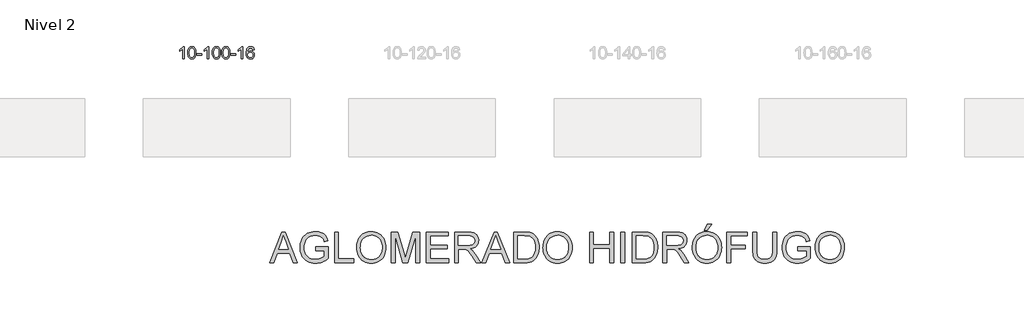
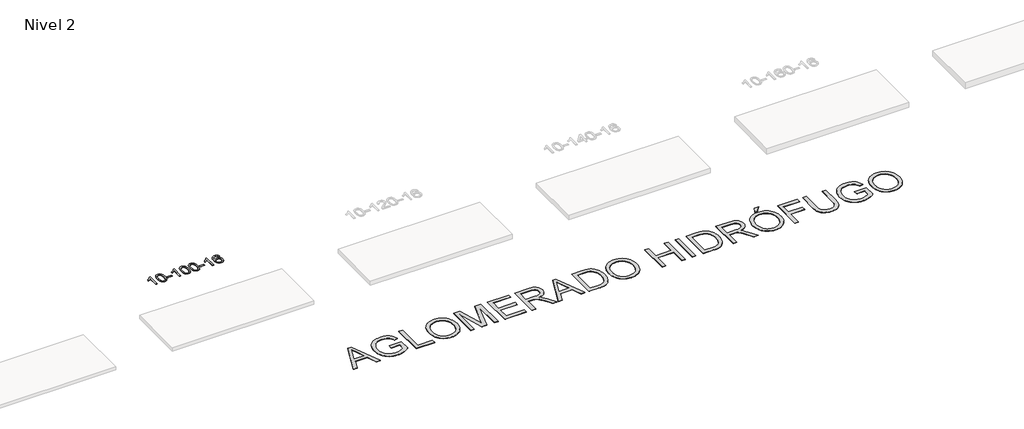
# One storey, part 18 of 51: 2 proxies.
"""IFC4 building model written with IfcOpenShell, lengths in millimetres."""

import ifcopenshell
import ifcopenshell.guid

model = None  # the IFC model being written
_history = None  # IfcOwnerHistory: only IFC2X3 demands one
_inside = {}  # id of a spatial element -> (the spatial element, [elements in it])
_under = {}  # id of a project, library or spatial element -> (it, [spatial elements below it])
_declared = {}  # id of a project -> (the project, [libraries it declares])
_typed = {}  # id of a type object -> (the type object, [elements of that type])
_made_of = {}  # id of a material, layer set ... -> (it, [elements and type objects made of it])


def new_model(schema):
    """Start an empty IFC model of exactly this schema.

    Asked for "IFC4X3", IfcOpenShell would pick the latest addendum, in which some entities
    have other attributes; the version numbers below select the first issue.
    IFC2X3 requires an IfcOwnerHistory on every rooted entity: one is made here for all.
    """
    global model, _history
    if schema == "IFC4X3":
        model = ifcopenshell.file(schema_version=(4, 3, 0, 0))
    else:
        model = ifcopenshell.file(schema=schema)
    _inside.clear()
    _under.clear()
    _declared.clear()
    _typed.clear()
    _made_of.clear()
    _history = None
    if model.schema == "IFC2X3":
        org = make("IfcOrganization", Name="unknown")
        user = make(
            "IfcPersonAndOrganization",
            ThePerson=make("IfcPerson", FamilyName="unknown"),
            TheOrganization=org,
        )
        app = make(
            "IfcApplication",
            ApplicationDeveloper=org,
            Version="unknown",
            ApplicationFullName="unknown",
            ApplicationIdentifier="unknown",
        )
        _history = make(
            "IfcOwnerHistory",
            OwningUser=user,
            OwningApplication=app,
            ChangeAction="ADDED",
            CreationDate=0,
        )
    return model


def make(cls, **values):
    """One entity of the class cls with the attributes given. An attribute that is None is left unset."""
    return model.create_entity(
        cls, **{name: value for name, value in values.items() if value is not None}
    )


def rooted(cls, **values):
    """An entity with a GlobalId (a new one), such as an element, a storey or a relation."""
    return make(cls, GlobalId=ifcopenshell.guid.new(), OwnerHistory=_history, **values)


def si_unit(unit_type, name, prefix=None):
    """IfcSIUnit, for example si_unit("LENGTHUNIT", "METRE", prefix="MILLI")."""
    return make("IfcSIUnit", UnitType=unit_type, Prefix=prefix, Name=name)


def assignment(units):
    """IfcUnitAssignment: the units of a project."""
    return None if units is None else make("IfcUnitAssignment", Units=units)


def point(xyz):
    """IfcCartesianPoint."""
    return None if xyz is None else make("IfcCartesianPoint", Coordinates=xyz)


def direction(xyz):
    """IfcDirection."""
    return None if xyz is None else make("IfcDirection", DirectionRatios=xyz)


def frame(location, z_axis=None, x_axis=None):
    """IfcAxis2Placement3D, a coordinate frame: its origin and axes. An axis left out is left unset."""
    return make(
        "IfcAxis2Placement3D",
        Location=point(location),
        Axis=direction(z_axis),
        RefDirection=direction(x_axis),
    )


def origin():
    """The frame at (0, 0, 0) with its axes left unset."""
    return frame((0.0, 0.0, 0.0))


def place(relative_to, where):
    """IfcLocalPlacement: puts the frame where relative to a parent placement (None: the world)."""
    return make(
        "IfcLocalPlacement", PlacementRelTo=relative_to, RelativePlacement=where
    )


def context(
    kind, dimensions, precision=None, world=None, true_north=None, identifier=None
):
    """IfcGeometricRepresentationContext, for example the 3D "Model" context."""
    return make(
        "IfcGeometricRepresentationContext",
        ContextIdentifier=identifier,
        ContextType=kind,
        CoordinateSpaceDimension=dimensions,
        Precision=precision,
        WorldCoordinateSystem=world,
        TrueNorth=true_north,
    )


def project(units=None, contexts=None):
    """IfcProject with its units and contexts."""
    return rooted(
        "IfcProject",
        Name="project",
        RepresentationContexts=contexts,
        UnitsInContext=assignment(units),
    )


def spatial(cls, under=None, at=None, **own):
    """A site, building, storey or space (cls), placed at a placement, below another one or the project."""
    s = rooted(cls, ObjectPlacement=at, **own)
    if under is not None:
        _under.setdefault(under.id(), (under, []))[1].append(s)
    return s


def polyline(points):
    """IfcPolyline through the points."""
    return make("IfcPolyline", Points=[point(p) for p in points])


def outline(outer, holes=None, kind="AREA"):
    """IfcArbitraryClosedProfileDef: a profile drawn as a closed curve; with holes, ...WithVoids."""
    if holes is None:
        return make("IfcArbitraryClosedProfileDef", ProfileType=kind, OuterCurve=outer)
    return make(
        "IfcArbitraryProfileDefWithVoids",
        ProfileType=kind,
        OuterCurve=outer,
        InnerCurves=holes,
    )


def extrude(swept, where, along, depth):
    """IfcExtrudedAreaSolid: the profile swept, set in the frame where, extruded along a direction by depth."""
    return make(
        "IfcExtrudedAreaSolid",
        SweptArea=swept,
        Position=where,
        ExtrudedDirection=direction(along),
        Depth=depth,
    )


def shape(context_of_items, identifier, shape_type, items):
    """IfcShapeRepresentation: the items that make up one representation, for example the "Body"."""
    return make(
        "IfcShapeRepresentation",
        ContextOfItems=context_of_items,
        RepresentationIdentifier=identifier,
        RepresentationType=shape_type,
        Items=items,
    )


def made_of(thing, what):
    """Note that an element or type object is made of a material, layer set ...; save() writes the relation."""
    if what is not None:
        _made_of.setdefault(what.id(), (what, []))[1].append(thing)
    return thing


def element(
    cls,
    number,
    at=None,
    inside=None,
    cuts=None,
    type_object=None,
    material=None,
    context=None,
    identifier="Body",
    shape_type=None,
    held_by="IfcProductDefinitionShape",
    body=None,
    shapes=None,
    **own,
):
    """One element of the class cls, such as IfcWall. Its Tag is "e" and its number.

    at: its placement. inside: the storey or other place that contains it. cuts: it is an
    opening in that element (IfcRelVoidsElement). A single representation is given by context,
    identifier, shape_type and body (its items); several are given by shapes. held_by: the class
    of the entity that holds the representations. save() writes the other relations.
    """
    e = rooted(cls, Tag="e%d" % number, ObjectPlacement=at, **own)
    if body is not None:
        shapes = [shape(context, identifier, shape_type, body)]
    if shapes is not None:
        e.Representation = make(held_by, Representations=shapes)
    if inside is not None:
        _inside.setdefault(inside.id(), (inside, []))[1].append(e)
    if cuts is not None:
        rooted(
            "IfcRelVoidsElement", RelatingBuildingElement=cuts, RelatedOpeningElement=e
        )
    if type_object is not None:
        _typed.setdefault(type_object.id(), (type_object, []))[1].append(e)
    return made_of(e, material)


def aggregate(whole, parts):
    """IfcRelAggregates: a whole, such as a stair, and the parts it consists of."""
    return rooted("IfcRelAggregates", RelatingObject=whole, RelatedObjects=parts)


def save(model, path):
    """Write the relations noted so far, then the file.

    IfcRelAggregates (storeys below a building ...), IfcRelContainedInSpatialStructure (elements
    in a storey), IfcRelDefinesByType, IfcRelAssociatesMaterial and IfcRelDeclares: one each for
    every whole, place, type object, material and project.
    """
    for whole, parts in _under.values():
        aggregate(whole, parts)
    for where, things in _inside.values():
        rooted(
            "IfcRelContainedInSpatialStructure",
            RelatedElements=things,
            RelatingStructure=where,
        )
    for kind, things in _typed.values():
        rooted("IfcRelDefinesByType", RelatedObjects=things, RelatingType=kind)
    for what, things in _made_of.values():
        rooted("IfcRelAssociatesMaterial", RelatedObjects=things, RelatingMaterial=what)
    for by, libraries in _declared.values():
        rooted("IfcRelDeclares", RelatingContext=by, RelatedDefinitions=libraries)
    model.write(path)


model = new_model("IFC4")

# Units and contexts
model_context = context("Model", 3, world=origin())
ifc_project = project(units=[si_unit("LENGTHUNIT", "METRE", prefix="MILLI")], contexts=[model_context])

# Site, building, storey
site = spatial("IfcSite", under=ifc_project)
building = spatial("IfcBuilding", under=site)
storey = spatial("IfcBuildingStorey", under=building, Name="Nivel 2", Elevation=3000.0)

# Proxies
placement = place(None, origin())
element("IfcBuildingElementProxy", 1, Name="Texto de modelo 1", ObjectType="Texto de modelo 1", at=placement, inside=storey, context=model_context, shape_type="SweptSolid", body=[
    extrude(outline(polyline([(18100.6728146, -130180.5895642), (18050.4446595, -130180.5895642), (18050.4446595, -129867.4484099), (18029.4753858, -129884.4077699), (18002.8652548, -129901.3426044), (17949.9883493, -129926.7019366), (17949.9883493, -129879.2206338), (17989.437562, -129857.7608507), (18023.6137993, -129832.2298403), (18050.5550241, -129805.080149), (18068.299199, -129778.7643236), (18100.6728146, -129778.7643236), (18100.6728146, -130180.5895642)])), frame((0.0, 0.0, 3000.0), z_axis=(0.0, 0.0, 1.0), x_axis=(1.0, 0.0, 0.0)), (0.0, 0.0, 1.0), 10.0),
    extrude(outline(polyline([(18219.9646829, -129982.9143055), (18223.6557656, -129918.59627), (18234.7290136, -129867.3012571), (18253.0740624, -129828.244452), (18264.9321254, -129813.0110717), (18278.5805474, -129800.6410396), (18294.0653137, -129791.0699764), (18311.4324096, -129784.2335026), (18351.8135899, -129778.7643236), (18382.7647285, -129782.0016852), (18410.4785054, -129791.7137699), (18433.6550711, -129807.5204329), (18450.9945758, -129829.0415296), (18464.0911749, -129856.093119), (18474.5390235, -129888.4912601), (18481.3816286, -129929.6327299), (18483.662497, -129982.9143055), (18480.0082025, -130046.864459), (18469.0453191, -130098.0368445), (18450.8106348, -130137.1304379), (18438.980163, -130152.4098034), (18425.340938, -130164.8442148), (18409.8377776, -130174.4796574), (18392.4154995, -130181.3621164), (18351.8135899, -130186.8680836), (18324.1488639, -130184.4768507), (18299.6233976, -130177.3031517), (18278.2371909, -130165.3469869), (18259.9902439, -130148.6083561), (18242.479061, -130118.350062), (18229.9710731, -130080.6482889), (18222.4662804, -130035.5030367), (18219.9646829, -129982.9143055)]), holes=[polyline([(18270.1928379, -129982.8162036), (18271.6643659, -130026.4807308), (18276.0789499, -130061.8249935), (18283.4365898, -130088.8489917), (18293.7372856, -130107.5527255), (18306.1962225, -130120.2783768), (18320.0285856, -130129.3681278), (18335.2343747, -130134.8219784), (18351.8135899, -130136.6399285), (18368.3928052, -130134.815847), (18383.5985943, -130129.3436023), (18397.4309573, -130120.2231945), (18409.8898942, -130107.4546236), (18420.1905901, -130088.720233), (18427.54823, -130061.7023661), (18431.962814, -130026.401023), (18433.4343419, -129982.8162036), (18432.0118649, -129940.3074391), (18427.7444337, -129905.5855101), (18420.6320485, -129878.6504167), (18410.6747092, -129859.5021588), (18398.4242387, -129846.1541738), (18384.4324602, -129836.6198987), (18368.6993735, -129830.8993337), (18351.2249787, -129828.9924787), (18334.7316026, -129830.6724732), (18319.7833309, -129835.7124565), (18306.3801635, -129844.1124287), (18294.5221006, -129855.8723898), (18283.8780482, -129876.7190362), (18276.2751536, -129904.8252207), (18271.7134169, -129940.1909431), (18270.1928379, -129982.8162036)])]), frame((0.0, 0.0, 3000.0), z_axis=(0.0, 0.0, 1.0), x_axis=(1.0, 0.0, 0.0)), (0.0, 0.0, 1.0), 10.0),
    extrude(outline(polyline([(18515.0550939, -130061.2976959), (18515.0550939, -130011.0695409), (18672.0180785, -130011.0695409), (18672.0180785, -130061.2976959), (18515.0550939, -130061.2976959)])), frame((0.0, 0.0, 3000.0), z_axis=(0.0, 0.0, 1.0), x_axis=(1.0, 0.0, 0.0)), (0.0, 0.0, 1.0), 10.0),
    extrude(outline(polyline([(18904.3232958, -130180.5895642), (18854.0951407, -130180.5895642), (18854.0951407, -129867.4484099), (18833.125867, -129884.4077699), (18806.515736, -129901.3426044), (18753.6388305, -129926.7019366), (18753.6388305, -129879.2206338), (18793.0880432, -129857.7608507), (18827.2642805, -129832.2298403), (18854.2055053, -129805.080149), (18871.9496802, -129778.7643236), (18904.3232958, -129778.7643236), (18904.3232958, -130180.5895642)])), frame((0.0, 0.0, 3000.0), z_axis=(0.0, 0.0, 1.0), x_axis=(1.0, 0.0, 0.0)), (0.0, 0.0, 1.0), 10.0),
    extrude(outline(polyline([(19023.6151641, -129982.9143055), (19027.3062467, -129918.59627), (19038.3794948, -129867.3012571), (19056.7245436, -129828.244452), (19068.5826066, -129813.0110717), (19082.2310286, -129800.6410396), (19097.7157949, -129791.0699764), (19115.0828908, -129784.2335026), (19155.4640711, -129778.7643236), (19186.4152097, -129782.0016852), (19214.1289866, -129791.7137699), (19237.3055523, -129807.5204329), (19254.645057, -129829.0415296), (19267.7416561, -129856.093119), (19278.1895047, -129888.4912601), (19285.0321098, -129929.6327299), (19287.3129782, -129982.9143055), (19283.6586837, -130046.864459), (19272.6958003, -130098.0368445), (19254.461116, -130137.1304379), (19242.6306442, -130152.4098034), (19228.9914192, -130164.8442148), (19213.4882588, -130174.4796574), (19196.0659807, -130181.3621164), (19155.4640711, -130186.8680836), (19127.7993451, -130184.4768507), (19103.2738788, -130177.3031517), (19081.8876721, -130165.3469869), (19063.6407251, -130148.6083561), (19046.1295422, -130118.350062), (19033.6215543, -130080.6482889), (19026.1167616, -130035.5030367), (19023.6151641, -129982.9143055)]), holes=[polyline([(19073.8433191, -129982.8162036), (19075.3148471, -130026.4807308), (19079.7294311, -130061.8249935), (19087.087071, -130088.8489917), (19097.3877668, -130107.5527255), (19109.8467037, -130120.2783768), (19123.6790668, -130129.3681278), (19138.8848559, -130134.8219784), (19155.4640711, -130136.6399285), (19172.0432864, -130134.815847), (19187.2490755, -130129.3436023), (19201.0814385, -130120.2231945), (19213.5403754, -130107.4546236), (19223.8410713, -130088.720233), (19231.1987112, -130061.7023661), (19235.6132951, -130026.401023), (19237.0848231, -129982.8162036), (19235.6623461, -129940.3074391), (19231.3949149, -129905.5855101), (19224.2825297, -129878.6504167), (19214.3251904, -129859.5021588), (19202.0747199, -129846.1541738), (19188.0829414, -129836.6198987), (19172.3498547, -129830.8993337), (19154.8754599, -129828.9924787), (19138.3820838, -129830.6724732), (19123.4338121, -129835.7124565), (19110.0306447, -129844.1124287), (19098.1725818, -129855.8723898), (19087.5285294, -129876.7190362), (19079.9256348, -129904.8252207), (19075.3638981, -129940.1909431), (19073.8433191, -129982.8162036)])]), frame((0.0, 0.0, 3000.0), z_axis=(0.0, 0.0, 1.0), x_axis=(1.0, 0.0, 0.0)), (0.0, 0.0, 1.0), 10.0),
    extrude(outline(polyline([(19331.2626139, -129982.9143055), (19334.9536966, -129918.59627), (19346.0269446, -129867.3012571), (19364.3719935, -129828.244452), (19376.2300564, -129813.0110717), (19389.8784785, -129800.6410396), (19405.3632448, -129791.0699764), (19422.7303406, -129784.2335026), (19463.111521, -129778.7643236), (19494.0626595, -129782.0016852), (19521.7764365, -129791.7137699), (19544.9530022, -129807.5204329), (19562.2925069, -129829.0415296), (19575.3891059, -129856.093119), (19585.8369546, -129888.4912601), (19592.6795597, -129929.6327299), (19594.960428, -129982.9143055), (19591.3061336, -130046.864459), (19580.3432501, -130098.0368445), (19562.1085659, -130137.1304379), (19550.278094, -130152.4098034), (19536.6388691, -130164.8442148), (19521.1357087, -130174.4796574), (19503.7134305, -130181.3621164), (19463.111521, -130186.8680836), (19435.4467949, -130184.4768507), (19410.9213286, -130177.3031517), (19389.5351219, -130165.3469869), (19371.288175, -130148.6083561), (19353.776992, -130118.350062), (19341.2690042, -130080.6482889), (19333.7642115, -130035.5030367), (19331.2626139, -129982.9143055)]), holes=[polyline([(19381.490769, -129982.8162036), (19382.962297, -130026.4807308), (19387.3768809, -130061.8249935), (19394.7345208, -130088.8489917), (19405.0352167, -130107.5527255), (19417.4941536, -130120.2783768), (19431.3265166, -130129.3681278), (19446.5323057, -130134.8219784), (19463.111521, -130136.6399285), (19479.6907362, -130134.815847), (19494.8965253, -130129.3436023), (19508.7288884, -130120.2231945), (19521.1878253, -130107.4546236), (19531.4885211, -130088.720233), (19538.846161, -130061.7023661), (19543.260745, -130026.401023), (19544.732273, -129982.8162036), (19543.3097959, -129940.3074391), (19539.0423648, -129905.5855101), (19531.9299795, -129878.6504167), (19521.9726402, -129859.5021588), (19509.7221698, -129846.1541738), (19495.7303912, -129836.6198987), (19479.9973045, -129830.8993337), (19462.5229098, -129828.9924787), (19446.0295337, -129830.6724732), (19431.0812619, -129835.7124565), (19417.6780946, -129844.1124287), (19405.8200316, -129855.8723898), (19395.1759792, -129876.7190362), (19387.5730846, -129904.8252207), (19383.0113479, -129940.1909431), (19381.490769, -129982.8162036)])]), frame((0.0, 0.0, 3000.0), z_axis=(0.0, 0.0, 1.0), x_axis=(1.0, 0.0, 0.0)), (0.0, 0.0, 1.0), 10.0),
    extrude(outline(polyline([(19626.353025, -130061.2976959), (19626.353025, -130011.0695409), (19783.3160096, -130011.0695409), (19783.3160096, -130061.2976959), (19626.353025, -130061.2976959)])), frame((0.0, 0.0, 3000.0), z_axis=(0.0, 0.0, 1.0), x_axis=(1.0, 0.0, 0.0)), (0.0, 0.0, 1.0), 10.0),
    extrude(outline(polyline([(20015.6212268, -130180.5895642), (19965.3930717, -130180.5895642), (19965.3930717, -129867.4484099), (19944.423798, -129884.4077699), (19917.813667, -129901.3426044), (19864.9367616, -129926.7019366), (19864.9367616, -129879.2206338), (19904.3859742, -129857.7608507), (19938.5622115, -129832.2298403), (19965.5034363, -129805.080149), (19983.2476112, -129778.7643236), (20015.6212268, -129778.7643236), (20015.6212268, -130180.5895642)])), frame((0.0, 0.0, 3000.0), z_axis=(0.0, 0.0, 1.0), x_axis=(1.0, 0.0, 0.0)), (0.0, 0.0, 1.0), 10.0),
    extrude(outline(polyline([(20392.3323899, -129885.4991532), (20342.1042348, -129891.7776726), (20334.0108309, -129866.8843242), (20323.0724729, -129849.888176), (20300.2883147, -129834.216403), (20272.746216, -129828.9924787), (20249.397972, -129832.0336365), (20227.4231541, -129841.15711), (20208.5508078, -129860.3728129), (20193.1365522, -129886.8235284), (20182.7254917, -129924.2371273), (20178.8627308, -129976.3414805), (20199.0104014, -129952.833821), (20223.155723, -129936.2668685), (20249.949795, -129926.4444192), (20278.0437167, -129923.1702695), (20302.1767756, -129925.4082183), (20324.445899, -129932.1220647), (20344.851087, -129943.3118087), (20363.3923396, -129958.9774503), (20378.8004638, -129978.1870219), (20389.8062668, -130000.0085555), (20396.4097486, -130024.4420514), (20398.6109092, -130051.4875094), (20394.4661054, -130087.4541058), (20382.031694, -130120.7964773), (20362.3377445, -130149.07434), (20336.4143266, -130169.84741), (20305.4386626, -130182.6129152), (20270.5879749, -130186.8680836), (20240.6454462, -130184.047655), (20213.6030539, -130175.5863691), (20189.4607979, -130161.484226), (20168.2186784, -130141.7412255), (20150.9006335, -130115.523502), (20138.5306014, -130081.9971895), (20131.1085821, -130041.1622881), (20128.6345757, -129993.0187976), (20131.3814279, -129939.0443776), (20139.6219846, -129892.9794204), (20153.3562458, -129854.8239261), (20172.5842114, -129824.5778948), (20193.4247264, -129804.5344574), (20217.5884421, -129790.2177164), (20245.0753585, -129781.6276718), (20275.8854756, -129778.7643236), (20299.0191218, -129780.5362886), (20319.9577387, -129785.8521834), (20338.7013263, -129794.7120081), (20355.2498847, -129807.1157627), (20369.1558242, -129822.6465143), (20379.9715548, -129840.8873299), (20387.6970767, -129861.8382095), (20392.3323899, -129885.4991532)]), holes=[polyline([(20178.8627308, -130050.7026945), (20181.7689985, -130072.9595552), (20190.4878018, -130094.2108718), (20204.0258593, -130112.4823442), (20221.3898894, -130125.7996724), (20242.3469004, -130133.9298645), (20266.6639003, -130136.6399285), (20299.8100681, -130131.0235968), (20313.7252045, -130124.003182), (20325.8683761, -130114.1746014), (20335.7184165, -130101.9363937), (20342.7541596, -130087.6870977), (20348.3827542, -130053.1552411), (20342.827736, -130020.0090733), (20335.8839634, -130006.3882425), (20326.1626817, -129994.7355803), (20313.9827219, -129985.4005746), (20299.6629153, -129978.7327135), (20264.6037611, -129973.3984246), (20231.5066443, -129978.7327135), (20203.8296555, -129994.7355803), (20192.9066259, -130006.2349583), (20185.104462, -130019.3959367), (20180.4231636, -130034.2185154), (20178.8627308, -130050.7026945)])]), frame((0.0, 0.0, 3000.0), z_axis=(0.0, 0.0, 1.0), x_axis=(1.0, 0.0, 0.0)), (0.0, 0.0, 1.0), 10.0),
])
element("IfcBuildingElementProxy", 2, Name="Texto de modelo 2", ObjectType="Texto de modelo 2", at=placement, inside=storey, context=model_context, shape_type="SweptSolid", body=[
    extrude(outline(polyline([(20892.391822, -136847.4370877), (21293.3831968, -135842.8739862), (21400.31423, -135842.8739862), (21801.3056048, -136847.4370877), (21668.6228318, -136847.4370877), (21553.5983947, -136533.5111185), (21139.8537774, -136533.5111185), (21025.0745949, -136847.4370877), (20892.391822, -136847.4370877)]), holes=[polyline([(21185.9616542, -136407.9407308), (21507.7357726, -136407.9407308), (21417.2368018, -136160.9692847), (21346.8487134, -135968.4443739), (21284.3087742, -136139.3868744), (21185.9616542, -136407.9407308)])]), frame((0.0, 0.0, 3000.0), z_axis=(0.0, 0.0, 1.0), x_axis=(1.0, 0.0, 0.0)), (0.0, 0.0, 1.0), 10.0),
    extrude(outline(polyline([(22406.3488595, -136455.0296262), (22406.3488595, -136329.4592385), (22814.4526195, -136329.4592385), (22814.4526195, -136704.9441283), (22765.2560668, -136741.8702835), (22715.277765, -136773.9220024), (22664.5177138, -136801.0992848), (22612.9759135, -136823.4021307), (22560.7136775, -136840.784555), (22507.7923197, -136853.2005723), (22454.2118399, -136860.6501827), (22399.9722383, -136863.1333862), (22327.8443746, -136859.186319), (22259.1040909, -136847.3451172), (22193.7513873, -136827.609781), (22131.7862638, -136799.9803104), (22075.2090786, -136764.8705725), (22026.0201902, -136722.6944345), (21984.2195985, -136673.4518966), (21949.8073035, -136617.1429588), (21922.9289252, -136555.5687098), (21903.7300836, -136490.5302388), (21892.2107786, -136422.0275456), (21888.3710103, -136350.0606303), (21892.1954502, -136278.0860507), (21903.6687699, -136208.5793463), (21922.7909695, -136141.5405169), (21949.5620488, -136076.9695625), (21983.5068271, -136017.7022402), (22024.1501233, -135966.5743071), (22071.4919376, -135923.5857631), (22125.5322699, -135888.7366083), (22185.0984962, -135861.8045806), (22249.0179929, -135842.5674179), (22317.2907598, -135831.0251203), (22389.9167971, -135827.1776878), (22442.9377896, -135829.4079724), (22493.3529514, -135836.0988262), (22541.1622823, -135847.2502491), (22586.3657825, -135862.8622413), (22627.8981269, -135882.4519576), (22664.6939906, -135905.5365528), (22696.7533737, -135932.1160269), (22724.076276, -135962.19038), (22747.5364174, -135996.4417266), (22768.0075176, -136035.5521812), (22785.4895766, -136079.5217439), (22799.9825943, -136128.3504145), (22684.2223932, -136160.9692847), (22658.378683, -136094.7811824), (22643.3644991, -136067.7801768), (22626.9554293, -136044.8412016), (22608.0095065, -136024.9755739), (22585.3847638, -136007.1946108), (22559.0812012, -135991.4983123), (22529.0988186, -135977.8866785), (22496.4109704, -135966.8885397), (22461.9910113, -135959.0327262), (22425.838941, -135954.3192382), (22387.9547597, -135952.7480755), (22343.0501637, -135954.4418655), (22301.287893, -135959.5232356), (22262.6679478, -135967.9921856), (22227.1903279, -135979.8487158), (22194.9240112, -135994.4566967), (22165.9379757, -136011.179999), (22140.2322212, -136030.0186229), (22117.806748, -136050.9725682), (22080.8652643, -136097.1724154), (22053.1821441, -136147.7255329), (22036.0143177, -136194.1706348), (22023.7515845, -136242.5164603), (22016.3939446, -136292.7630095), (22013.941398, -136344.9102823), (22016.8921182, -136407.6111699), (22025.7442787, -136464.9930969), (22040.4978795, -136517.0560634), (22061.1529207, -136563.8000695), (22087.4411549, -136605.0488382), (22119.0943349, -136640.6260928), (22156.1124607, -136670.5318333), (22198.4955322, -136694.7660597), (22244.2585196, -136713.4897205), (22291.4163928, -136726.8637638), (22339.969152, -136734.8881898), (22389.9167971, -136737.5629985), (22433.6717619, -136735.5473118), (22476.8902321, -136729.5002515), (22519.5722077, -136719.4218176), (22561.7176888, -136705.3120103), (22635.3860583, -136671.9880329), (22664.6556696, -136654.5213023), (22688.8822318, -136636.5180772), (22688.8822318, -136455.0296262), (22406.3488595, -136455.0296262)])), frame((0.0, 0.0, 3000.0), z_axis=(0.0, 0.0, 1.0), x_axis=(1.0, 0.0, 0.0)), (0.0, 0.0, 1.0), 10.0),
    extrude(outline(polyline([(23018.5044995, -136847.4370877), (23018.5044995, -135842.8739862), (23144.0748872, -135842.8739862), (23144.0748872, -136721.8667001), (23646.3564379, -136721.8667001), (23646.3564379, -136847.4370877), (23018.5044995, -136847.4370877)])), frame((0.0, 0.0, 3000.0), z_axis=(0.0, 0.0, 1.0), x_axis=(1.0, 0.0, 0.0)), (0.0, 0.0, 1.0), 10.0),
    extrude(outline(polyline([(23740.5342287, -136358.3992888), (23742.6265575, -136297.7945622), (23748.9035441, -136240.5697514), (23759.3651883, -136186.7248565), (23774.0114902, -136136.2598774), (23792.8424499, -136089.1748141), (23815.8580672, -136045.4696667), (23843.0583422, -136005.1444351), (23874.4432749, -135968.1991193), (23909.1353135, -135935.1472213), (23946.2569061, -135906.502243), (23985.8080526, -135882.2641845), (24027.7887532, -135862.4330457), (24072.1990079, -135847.0088266), (24119.0388165, -135835.9915273), (24168.3081791, -135829.3811477), (24220.0070957, -135827.1776878), (24287.5900839, -135831.3163602), (24351.7701637, -135843.7323776), (24412.547335, -135864.4257398), (24469.9215978, -135893.3964469), (24522.2834684, -135929.7707792), (24568.0234632, -135972.6750169), (24607.141582, -136022.10916), (24639.6378249, -136078.0732085), (24665.1749667, -136139.2949039), (24683.4157823, -136204.5019875), (24694.3602717, -136273.6944594), (24698.0084348, -136346.8723196), (24694.1686665, -136421.0158701), (24682.6493615, -136491.1433754), (24663.4505199, -136557.2548356), (24636.5721416, -136619.3502507), (24602.650356, -136675.7894802), (24562.3212922, -136724.9323833), (24515.5849504, -136766.7789603), (24462.4413305, -136801.329211), (24404.9827614, -136828.3685377), (24345.3015719, -136847.6823424), (24283.397762, -136859.2706253), (24219.2713317, -136863.1333862), (24150.5080555, -136858.8644222), (24085.4849128, -136846.0575303), (24024.2019038, -136824.7127103), (23966.6590284, -136794.8299624), (23914.3584714, -136757.566582), (23868.8024177, -136714.0798645), (23829.9908672, -136664.3698099), (23797.9238199, -136608.4364182), (23772.8158738, -136548.5253025), (23754.8816265, -136486.8820756), (23744.1210781, -136423.5067378), (23740.5342287, -136358.3992888)]), holes=[polyline([(23866.1046164, -136359.6255621), (23867.673863, -136402.4186688), (23872.3816029, -136442.874192), (23880.2278361, -136480.9921316), (23891.2125625, -136516.7724877), (23905.3357823, -136550.2152604), (23922.5974952, -136581.3204495), (23942.9977015, -136610.0880551), (23966.536401, -136636.5180772), (23992.4433409, -136660.2004806), (24019.9482682, -136680.7252303), (24049.0511829, -136698.0923261), (24079.7520851, -136712.3017682), (24112.0509746, -136723.3535565), (24145.9478516, -136731.2476909), (24181.4427159, -136735.9841716), (24218.5355677, -136737.5629985), (24256.306702, -136735.9688432), (24292.3648857, -136731.1863773), (24326.7101188, -136723.2156007), (24359.3424014, -136712.0565135), (24390.2617335, -136697.7091157), (24419.468115, -136680.1734073), (24446.961546, -136659.4493882), (24472.7420264, -136635.5370585), (24496.1082813, -136608.6931692), (24516.3590355, -136579.1744712), (24533.494289, -136546.9809645), (24547.5140419, -136512.1126491), (24558.4182942, -136474.5695251), (24566.2070458, -136434.3515924), (24570.8802968, -136391.458851), (24572.4380471, -136345.891301), (24569.7709026, -136288.4250677), (24561.7694692, -136234.7296248), (24548.4337469, -136184.8049723), (24529.7637357, -136138.6511104), (24505.9663691, -136096.8735113), (24477.2485809, -136060.0776476), (24443.6103709, -136028.2635192), (24405.0517393, -136001.4311262), (24362.7683025, -135980.1322915), (24317.9556769, -135964.9188381), (24270.6138627, -135955.7907661), (24220.7428597, -135952.7480755), (24150.6766681, -135958.6111948), (24085.6688538, -135976.2005527), (24055.0618382, -135989.3925711), (24025.719417, -136005.5161492), (23970.8283577, -136046.5579842), (23946.2837308, -136071.9705827), (23925.0117208, -136101.3034237), (23907.0123278, -136134.5565071), (23892.2855517, -136171.7298331), (23880.8313925, -136212.8234016), (23872.6498502, -136257.8372126), (23867.7409248, -136306.7712661), (23866.1046164, -136359.6255621)])]), frame((0.0, 0.0, 3000.0), z_axis=(0.0, 0.0, 1.0), x_axis=(1.0, 0.0, 0.0)), (0.0, 0.0, 1.0), 10.0),
    extrude(outline(polyline([(24870.6677179, -136847.4370877), (24870.6677179, -135842.8739862), (25086.7370764, -135842.8739862), (25292.2604843, -136550.9241996), (25333.7085225, -136698.8127617), (25378.5901259, -136538.6614665), (25580.6799686, -135842.8739862), (25796.7493271, -135842.8739862), (25796.7493271, -136847.4370877), (25671.1789394, -136847.4370877), (25671.1789394, -135968.4443739), (25418.8118907, -136847.4370877), (25248.6051542, -136847.4370877), (24996.2381055, -135968.4443739), (24996.2381055, -136847.4370877), (24870.6677179, -136847.4370877)])), frame((0.0, 0.0, 3000.0), z_axis=(0.0, 0.0, 1.0), x_axis=(1.0, 0.0, 0.0)), (0.0, 0.0, 1.0), 10.0),
    extrude(outline(polyline([(26016.4975055, -136847.4370877), (26016.4975055, -135842.8739862), (26738.5272347, -135842.8739862), (26738.5272347, -135968.4443739), (26142.0678932, -135968.4443739), (26142.0678932, -136266.6740447), (26707.1346378, -136266.6740447), (26707.1346378, -136392.2444324), (26142.0678932, -136392.2444324), (26142.0678932, -136721.8667001), (26754.2235332, -136721.8667001), (26754.2235332, -136847.4370877), (26016.4975055, -136847.4370877)])), frame((0.0, 0.0, 3000.0), z_axis=(0.0, 0.0, 1.0), x_axis=(1.0, 0.0, 0.0)), (0.0, 0.0, 1.0), 10.0),
    extrude(outline(polyline([(26942.5791147, -136847.4370877), (26942.5791147, -135842.8739862), (27375.4535957, -135842.8739862), (27437.5873318, -135844.5677763), (27491.7962767, -135849.6491463), (27538.0804302, -135858.1180964), (27576.4397924, -135869.9746266), (27609.1046479, -135886.1307775), (27638.3052812, -135907.4985901), (27664.0416925, -135934.0780642), (27686.3138816, -135965.8692), (27704.2864499, -136001.1628789), (27717.1239987, -136038.2499825), (27724.826528, -136077.1305109), (27727.3940377, -136117.804464), (27723.1404022, -136169.3999138), (27710.3794955, -136216.7647207), (27689.1113176, -136259.8988846), (27659.3358686, -136298.8024056), (27620.6699381, -136332.2336819), (27572.7303156, -136358.9511118), (27515.5170011, -136378.9546953), (27449.0299947, -136392.2444324), (27490.4167192, -136419.283759), (27520.3991018, -136445.9552037), (27571.8412674, -136506.9623012), (27622.1797871, -136575.2044113), (27789.6887223, -136847.4370877), (27643.7621975, -136847.4370877), (27513.0414619, -136639.2158785), (27460.7409049, -136559.7533675), (27418.6184165, -136501.3827576), (27383.5163427, -136461.1916496), (27352.27703, -136436.2676445), (27322.6931862, -136421.6443352), (27292.5575194, -136412.3553148), (27219.7168844, -136407.9407308), (27068.1495024, -136407.9407308), (27068.1495024, -136847.4370877), (26942.5791147, -136847.4370877)]), holes=[polyline([(27068.1495024, -136282.3703432), (27349.2113467, -136282.3703432), (27429.9307878, -136277.9251024), (27492.5626975, -136264.5893801), (27517.7472857, -136254.3653263), (27539.7129065, -136241.474128), (27558.4595599, -136225.9157853), (27573.9872458, -136207.6902981), (27586.1656726, -136187.6943789), (27594.864549, -136166.8247398), (27600.0838748, -136145.0813811), (27601.8236501, -136122.4643026), (27598.5050479, -136090.3512701), (27588.5492414, -136061.2119504), (27571.9562306, -136035.0463435), (27548.7260154, -136011.8544494), (27518.3221014, -135992.8625414), (27480.2079938, -135979.2968928), (27434.3836928, -135971.1575036), (27380.8491983, -135968.4443739), (27068.1495024, -135968.4443739), (27068.1495024, -136282.3703432)])]), frame((0.0, 0.0, 3000.0), z_axis=(0.0, 0.0, 1.0), x_axis=(1.0, 0.0, 0.0)), (0.0, 0.0, 1.0), 10.0),
    extrude(outline(polyline([(27830.1557417, -136847.4370877), (28231.1471165, -135842.8739862), (28338.0781497, -135842.8739862), (28739.0695245, -136847.4370877), (28606.3867515, -136847.4370877), (28491.3623144, -136533.5111185), (28077.6176971, -136533.5111185), (27962.8385147, -136847.4370877), (27830.1557417, -136847.4370877)]), holes=[polyline([(28123.7255739, -136407.9407308), (28445.4996923, -136407.9407308), (28355.0007215, -136160.9692847), (28284.6126331, -135968.4443739), (28222.0726939, -136139.3868744), (28123.7255739, -136407.9407308)])]), frame((0.0, 0.0, 3000.0), z_axis=(0.0, 0.0, 1.0), x_axis=(1.0, 0.0, 0.0)), (0.0, 0.0, 1.0), 10.0),
    extrude(outline(polyline([(28873.2238254, -136847.4370877), (28873.2238254, -135842.8739862), (29219.7686648, -135842.8739862), (29323.3274465, -135846.4914925), (29399.0498238, -135857.3440114), (29440.6511461, -135869.2848478), (29479.1254714, -135885.2417294), (29514.4727998, -135905.214656), (29546.6931312, -135929.2036278), (29583.9258548, -135965.133436), (29616.1615146, -136005.7230828), (29643.4001107, -136050.9725682), (29665.641643, -136100.8818922), (29682.9167684, -136154.9912023), (29695.2561436, -136212.8406461), (29702.6597688, -136274.4302234), (29705.1276438, -136339.7599344), (29703.4568464, -136395.287123), (29698.4444542, -136447.5800158), (29690.0904673, -136496.6386127), (29678.3948855, -136542.4629137), (29647.8606799, -136623.2436685), (29629.7424916, -136657.9088824), (29609.7235797, -136688.7573205), (29565.822995, -136740.4753976), (29517.9983356, -136779.869428), (29463.0919478, -136809.0853897), (29397.9461778, -136830.2692613), (29322.4383983, -136843.1451311), (29236.445982, -136847.4370877), (28873.2238254, -136847.4370877)]), holes=[polyline([(28998.7942131, -136721.8667001), (29220.9949382, -136721.8667001), (29312.9041233, -136717.3294888), (29350.5353857, -136711.6579747), (29382.6177614, -136703.717855), (29435.2248867, -136681.8288762), (29457.0218949, -136668.0792867), (29475.8145335, -136652.4596303), (29498.983435, -136627.2827063), (29519.4392067, -136598.1050655), (29537.1818488, -136564.9267081), (29552.2113611, -136527.7476339), (29564.1751902, -136486.491201), (29572.7207824, -136441.0807672), (29577.8481377, -136391.5163326), (29579.5572561, -136337.7978971), (29576.2079971, -136264.8959484), (29566.1602201, -136200.9457949), (29549.4139251, -136145.9474366), (29525.9691122, -136099.9008735), (29497.7265048, -136061.7637734), (29466.5868268, -136030.4938038), (29432.550078, -136006.0909648), (29395.6162585, -135988.5552563), (29363.7024955, -135979.7567453), (29323.3887601, -135973.4720945), (29217.5613729, -135968.4443739), (28998.7942131, -135968.4443739), (28998.7942131, -136721.8667001)])]), frame((0.0, 0.0, 3000.0), z_axis=(0.0, 0.0, 1.0), x_axis=(1.0, 0.0, 0.0)), (0.0, 0.0, 1.0), 10.0),
    extrude(outline(polyline([(29830.6980315, -136358.3992888), (29832.7903603, -136297.7945622), (29839.0673469, -136240.5697514), (29849.5289911, -136186.7248565), (29864.1752931, -136136.2598774), (29883.0062527, -136089.1748141), (29906.02187, -136045.4696667), (29933.222145, -136005.1444351), (29964.6070777, -135968.1991193), (29999.2991163, -135935.1472213), (30036.4207089, -135906.502243), (30075.9718555, -135882.2641845), (30117.9525561, -135862.4330457), (30162.3628107, -135847.0088266), (30209.2026193, -135835.9915273), (30258.4719819, -135829.3811477), (30310.1708985, -135827.1776878), (30377.7538867, -135831.3163602), (30441.9339665, -135843.7323776), (30502.7111378, -135864.4257398), (30560.0854006, -135893.3964469), (30612.4472712, -135929.7707792), (30658.187266, -135972.6750169), (30697.3053848, -136022.10916), (30729.8016277, -136078.0732085), (30755.3387695, -136139.2949039), (30773.5795851, -136204.5019875), (30784.5240745, -136273.6944594), (30788.1722376, -136346.8723196), (30784.3324693, -136421.0158701), (30772.8131643, -136491.1433754), (30753.6143227, -136557.2548356), (30726.7359444, -136619.3502507), (30692.8141588, -136675.7894802), (30652.4850951, -136724.9323833), (30605.7487533, -136766.7789603), (30552.6051334, -136801.329211), (30495.1465642, -136828.3685377), (30435.4653747, -136847.6823424), (30373.5615648, -136859.2706253), (30309.4351346, -136863.1333862), (30240.6718583, -136858.8644222), (30175.6487156, -136846.0575303), (30114.3657066, -136824.7127103), (30056.8228312, -136794.8299624), (30004.5222742, -136757.566582), (29958.9662205, -136714.0798645), (29920.15467, -136664.3698099), (29888.0876227, -136608.4364182), (29862.9796766, -136548.5253025), (29845.0454293, -136486.8820756), (29834.284881, -136423.5067378), (29830.6980315, -136358.3992888)]), holes=[polyline([(29956.2684192, -136359.6255621), (29957.8376658, -136402.4186688), (29962.5454057, -136442.874192), (29970.3916389, -136480.9921316), (29981.3763654, -136516.7724877), (29995.4995851, -136550.2152604), (30012.7612981, -136581.3204495), (30033.1615043, -136610.0880551), (30056.7002039, -136636.5180772), (30082.6071437, -136660.2004806), (30110.112071, -136680.7252303), (30139.2149858, -136698.0923261), (30169.9158879, -136712.3017682), (30202.2147774, -136723.3535565), (30236.1116544, -136731.2476909), (30271.6065188, -136735.9841716), (30308.6993706, -136737.5629985), (30346.4705048, -136735.9688432), (30382.5286885, -136731.1863773), (30416.8739216, -136723.2156007), (30449.5062042, -136712.0565135), (30480.4255363, -136697.7091157), (30509.6319178, -136680.1734073), (30537.1253488, -136659.4493882), (30562.9058292, -136635.5370585), (30586.2720841, -136608.6931692), (30606.5228383, -136579.1744712), (30623.6580918, -136546.9809645), (30637.6778448, -136512.1126491), (30648.582097, -136474.5695251), (30656.3708486, -136434.3515924), (30661.0440996, -136391.458851), (30662.6018499, -136345.891301), (30659.9347055, -136288.4250677), (30651.9332721, -136234.7296248), (30638.5975497, -136184.8049723), (30619.9275385, -136138.6511104), (30596.1301719, -136096.8735113), (30567.4123837, -136060.0776476), (30533.7741737, -136028.2635192), (30495.2155421, -136001.4311262), (30452.9321053, -135980.1322915), (30408.1194798, -135964.9188381), (30360.7776655, -135955.7907661), (30310.9066625, -135952.7480755), (30240.8404709, -135958.6111948), (30175.8326566, -135976.2005527), (30145.2256411, -135989.3925711), (30115.8832198, -136005.5161492), (30060.9921605, -136046.5579842), (30036.4475336, -136071.9705827), (30015.1755237, -136101.3034237), (29997.1761306, -136134.5565071), (29982.4493545, -136171.7298331), (29970.9951953, -136212.8234016), (29962.813653, -136257.8372126), (29957.9047276, -136306.7712661), (29956.2684192, -136359.6255621)])]), frame((0.0, 0.0, 3000.0), z_axis=(0.0, 0.0, 1.0), x_axis=(1.0, 0.0, 0.0)), (0.0, 0.0, 1.0), 10.0),
    extrude(outline(polyline([(31353.2389822, -136847.4370877), (31353.2389822, -135842.8739862), (31478.8093699, -135842.8739862), (31478.8093699, -136250.9777462), (32012.4835176, -136250.9777462), (32012.4835176, -135842.8739862), (32138.0539052, -135842.8739862), (32138.0539052, -136847.4370877), (32012.4835176, -136847.4370877), (32012.4835176, -136376.5481339), (31478.8093699, -136376.5481339), (31478.8093699, -136847.4370877), (31353.2389822, -136847.4370877)])), frame((0.0, 0.0, 3000.0), z_axis=(0.0, 0.0, 1.0), x_axis=(1.0, 0.0, 0.0)), (0.0, 0.0, 1.0), 10.0),
    extrude(outline(polyline([(32373.4983822, -136847.4370877), (32373.4983822, -135842.8739862), (32499.0687698, -135842.8739862), (32499.0687698, -136847.4370877), (32373.4983822, -136847.4370877)])), frame((0.0, 0.0, 3000.0), z_axis=(0.0, 0.0, 1.0), x_axis=(1.0, 0.0, 0.0)), (0.0, 0.0, 1.0), 10.0),
    extrude(outline(polyline([(32750.2095452, -136847.4370877), (32750.2095452, -135842.8739862), (33096.7543847, -135842.8739862), (33200.3131663, -135846.4914925), (33276.0355437, -135857.3440114), (33317.6368659, -135869.2848478), (33356.1111913, -135885.2417294), (33391.4585196, -135905.214656), (33423.6788511, -135929.2036278), (33460.9115747, -135965.133436), (33493.1472345, -136005.7230828), (33520.3858305, -136050.9725682), (33542.6273628, -136100.8818922), (33559.9024882, -136154.9912023), (33572.2418634, -136212.8406461), (33579.6454886, -136274.4302234), (33582.1133636, -136339.7599344), (33580.4425663, -136395.287123), (33575.4301741, -136447.5800158), (33567.0761871, -136496.6386127), (33555.3806053, -136542.4629137), (33524.8463997, -136623.2436685), (33506.7282115, -136657.9088824), (33486.7092996, -136688.7573205), (33442.8087148, -136740.4753976), (33394.9840554, -136779.869428), (33340.0776677, -136809.0853897), (33274.9318977, -136830.2692613), (33199.4241182, -136843.1451311), (33113.4317018, -136847.4370877), (32750.2095452, -136847.4370877)]), holes=[polyline([(32875.7799329, -136721.8667001), (33097.980658, -136721.8667001), (33189.8898431, -136717.3294888), (33227.5211055, -136711.6579747), (33259.6034812, -136703.717855), (33312.2106065, -136681.8288762), (33334.0076147, -136668.0792867), (33352.8002533, -136652.4596303), (33375.9691548, -136627.2827063), (33396.4249266, -136598.1050655), (33414.1675686, -136564.9267081), (33429.197081, -136527.7476339), (33441.16091, -136486.491201), (33449.7065022, -136441.0807672), (33454.8338575, -136391.5163326), (33456.542976, -136337.7978971), (33453.193717, -136264.8959484), (33443.14594, -136200.9457949), (33426.399645, -136145.9474366), (33402.954832, -136099.9008735), (33374.7122247, -136061.7637734), (33343.5725466, -136030.4938038), (33309.5357978, -136006.0909648), (33272.6019784, -135988.5552563), (33240.6882153, -135979.7567453), (33200.37448, -135973.4720945), (33094.5470927, -135968.4443739), (32875.7799329, -135968.4443739), (32875.7799329, -136721.8667001)])]), frame((0.0, 0.0, 3000.0), z_axis=(0.0, 0.0, 1.0), x_axis=(1.0, 0.0, 0.0)), (0.0, 0.0, 1.0), 10.0),
    extrude(outline(polyline([(33754.7726467, -136847.4370877), (33754.7726467, -135842.8739862), (34187.6471277, -135842.8739862), (34249.7808639, -135844.5677763), (34303.9898087, -135849.6491463), (34350.2739622, -135858.1180964), (34388.6333244, -135869.9746266), (34421.2981799, -135886.1307775), (34450.4988133, -135907.4985901), (34476.2352245, -135934.0780642), (34498.5074136, -135965.8692), (34516.4799819, -136001.1628789), (34529.3175307, -136038.2499825), (34537.02006, -136077.1305109), (34539.5875698, -136117.804464), (34535.3339342, -136169.3999138), (34522.5730275, -136216.7647207), (34501.3048496, -136259.8988846), (34471.5294007, -136298.8024056), (34432.8634701, -136332.2336819), (34384.9238476, -136358.9511118), (34327.7105332, -136378.9546953), (34261.2235267, -136392.2444324), (34302.6102512, -136419.283759), (34332.5926338, -136445.9552037), (34384.0347995, -136506.9623012), (34434.3733191, -136575.2044113), (34601.8822543, -136847.4370877), (34455.9557295, -136847.4370877), (34325.2349939, -136639.2158785), (34272.9344369, -136559.7533675), (34230.8119485, -136501.3827576), (34195.7098748, -136461.1916496), (34164.470562, -136436.2676445), (34134.8867182, -136421.6443352), (34104.7510515, -136412.3553148), (34031.9104164, -136407.9407308), (33880.3430344, -136407.9407308), (33880.3430344, -136847.4370877), (33754.7726467, -136847.4370877)]), holes=[polyline([(33880.3430344, -136282.3703432), (34161.4048787, -136282.3703432), (34242.1243198, -136277.9251024), (34304.7562295, -136264.5893801), (34329.9408178, -136254.3653263), (34351.9064386, -136241.474128), (34370.6530919, -136225.9157853), (34386.1807778, -136207.6902981), (34398.3592047, -136187.6943789), (34407.058081, -136166.8247398), (34412.2774068, -136145.0813811), (34414.0171821, -136122.4643026), (34410.6985799, -136090.3512701), (34400.7427734, -136061.2119504), (34384.1497626, -136035.0463435), (34360.9195474, -136011.8544494), (34330.5156334, -135992.8625414), (34292.4015258, -135979.2968928), (34246.5772248, -135971.1575036), (34193.0427303, -135968.4443739), (33880.3430344, -135968.4443739), (33880.3430344, -136282.3703432)])]), frame((0.0, 0.0, 3000.0), z_axis=(0.0, 0.0, 1.0), x_axis=(1.0, 0.0, 0.0)), (0.0, 0.0, 1.0), 10.0),
    extrude(outline(polyline([(34712.2468528, -136358.3992888), (34714.3391817, -136297.7945622), (34720.6161682, -136240.5697514), (34731.0778125, -136186.7248565), (34745.7241144, -136136.2598774), (34764.555074, -136089.1748141), (34787.5706913, -136045.4696667), (34814.7709664, -136005.1444351), (34846.1558991, -135968.1991193), (34880.8479376, -135935.1472213), (34917.9695302, -135906.502243), (34957.5206768, -135882.2641845), (34999.5013774, -135862.4330457), (35043.911632, -135847.0088266), (35090.7514406, -135835.9915273), (35140.0208032, -135829.3811477), (35191.7197199, -135827.1776878), (35259.3027081, -135831.3163602), (35323.4827878, -135843.7323776), (35384.2599591, -135864.4257398), (35441.6342219, -135893.3964469), (35493.9960926, -135929.7707792), (35539.7360873, -135972.6750169), (35578.8542061, -136022.10916), (35611.350449, -136078.0732085), (35636.8875909, -136139.2949039), (35655.1284065, -136204.5019875), (35666.0728958, -136273.6944594), (35669.7210589, -136346.8723196), (35665.8812906, -136421.0158701), (35654.3619856, -136491.1433754), (35635.163144, -136557.2548356), (35608.2847657, -136619.3502507), (35574.3629801, -136675.7894802), (35534.0339164, -136724.9323833), (35487.2975746, -136766.7789603), (35434.1539547, -136801.329211), (35376.6953856, -136828.3685377), (35317.0141961, -136847.6823424), (35255.1103862, -136859.2706253), (35190.9839559, -136863.1333862), (35122.2206796, -136858.8644222), (35057.197537, -136846.0575303), (34995.9145279, -136824.7127103), (34938.3716525, -136794.8299624), (34886.0710956, -136757.566582), (34840.5150418, -136714.0798645), (34801.7034913, -136664.3698099), (34769.6364441, -136608.4364182), (34744.5284979, -136548.5253025), (34726.5942506, -136486.8820756), (34715.8337023, -136423.5067378), (34712.2468528, -136358.3992888)]), holes=[polyline([(34837.8172405, -136359.6255621), (34839.3864872, -136402.4186688), (34844.0942271, -136442.874192), (34851.9404602, -136480.9921316), (34862.9251867, -136516.7724877), (34877.0484064, -136550.2152604), (34894.3101194, -136581.3204495), (34914.7103257, -136610.0880551), (34938.2490252, -136636.5180772), (34964.1559651, -136660.2004806), (34991.6608924, -136680.7252303), (35020.7638071, -136698.0923261), (35051.4647092, -136712.3017682), (35083.7635988, -136723.3535565), (35117.6604757, -136731.2476909), (35153.1553401, -136735.9841716), (35190.2481919, -136737.5629985), (35228.0193261, -136735.9688432), (35264.0775098, -136731.1863773), (35298.4227429, -136723.2156007), (35331.0550256, -136712.0565135), (35361.9743576, -136697.7091157), (35391.1807391, -136680.1734073), (35418.6741701, -136659.4493882), (35444.4546506, -136635.5370585), (35467.8209054, -136608.6931692), (35488.0716596, -136579.1744712), (35505.2069132, -136546.9809645), (35519.2266661, -136512.1126491), (35530.1309183, -136474.5695251), (35537.91967, -136434.3515924), (35542.5929209, -136391.458851), (35544.1506713, -136345.891301), (35541.4835268, -136288.4250677), (35533.4820934, -136234.7296248), (35520.1463711, -136184.8049723), (35501.4763598, -136138.6511104), (35477.6789933, -136096.8735113), (35448.961205, -136060.0776476), (35415.3229951, -136028.2635192), (35376.7643635, -136001.4311262), (35334.4809266, -135980.1322915), (35289.6683011, -135964.9188381), (35242.3264868, -135955.7907661), (35192.4554839, -135952.7480755), (35122.3892922, -135958.6111948), (35057.381478, -135976.2005527), (35026.7744624, -135989.3925711), (34997.4320412, -136005.5161492), (34942.5409818, -136046.5579842), (34917.9963549, -136071.9705827), (34896.724345, -136101.3034237), (34878.724952, -136134.5565071), (34863.9981758, -136171.7298331), (34852.5440166, -136212.8234016), (34844.3624743, -136257.8372126), (34839.453549, -136306.7712661), (34837.8172405, -136359.6255621)])]), frame((0.0, 0.0, 3000.0), z_axis=(0.0, 0.0, 1.0), x_axis=(1.0, 0.0, 0.0)), (0.0, 0.0, 1.0), 10.0),
    extrude(outline(polyline([(35104.6543144, -135780.0887924), (35198.8321051, -135591.7332109), (35355.7950897, -135591.7332109), (35198.8321051, -135780.0887924), (35104.6543144, -135780.0887924)])), frame((0.0, 0.0, 3000.0), z_axis=(0.0, 0.0, 1.0), x_axis=(1.0, 0.0, 0.0)), (0.0, 0.0, 1.0), 10.0),
    extrude(outline(polyline([(35842.380342, -136847.4370877), (35842.380342, -135842.8739862), (36517.3211758, -135842.8739862), (36517.3211758, -135968.4443739), (35967.9507297, -135968.4443739), (35967.9507297, -136266.6740447), (36438.8396835, -136266.6740447), (36438.8396835, -136392.2444324), (35967.9507297, -136392.2444324), (35967.9507297, -136847.4370877), (35842.380342, -136847.4370877)])), frame((0.0, 0.0, 3000.0), z_axis=(0.0, 0.0, 1.0), x_axis=(1.0, 0.0, 0.0)), (0.0, 0.0, 1.0), 10.0),
    extrude(outline(polyline([(37349.2249943, -135842.8739862), (37474.7953819, -135842.8739862), (37474.7953819, -136422.410756), (37472.6647321, -136494.1707377), (37466.2727824, -136558.1285554), (37455.6195329, -136614.2842091), (37440.7049837, -136662.6376988), (37420.2415477, -136705.0207704), (37392.941638, -136743.2651694), (37358.8052545, -136777.3708961), (37317.8323973, -136807.3379503), (37269.9770811, -136831.7484535), (37215.1933207, -136849.1845272), (37153.481116, -136859.6461715), (37084.8404671, -136863.1333862), (37017.8936081, -136860.0983597), (36957.3386989, -136850.9932804), (36903.1757393, -136835.8181481), (36855.4047294, -136814.5729628), (36814.0180049, -136787.5719572), (36779.0079017, -136755.1293638), (36750.3744198, -136717.2451825), (36728.1175591, -136673.9194134), (36711.4325777, -136623.6652), (36699.5147339, -136564.9956859), (36692.3640277, -136497.9108713), (36689.9804589, -136422.410756), (36689.9804589, -135842.8739862), (36815.5508466, -135842.8739862), (36815.5508466, -136417.996172), (36817.0990167, -136478.7043655), (36821.7435268, -136530.8439741), (36829.4843772, -136574.4149979), (36840.3215676, -136609.4174369), (36854.9295485, -136638.3804798), (36873.9827702, -136663.8333153), (36897.4812326, -136685.7759435), (36925.4249358, -136704.2083643), (36957.2773852, -136718.8010168), (36992.5020863, -136729.22434), (37031.0990389, -136735.4783339), (37073.0682432, -136737.5629985), (37142.2760436, -136733.4396545), (37200.7846092, -136721.0696224), (37248.5939402, -136700.4529023), (37268.4863926, -136687.0520342), (37285.7040364, -136671.589494), (37300.5917609, -136653.1953943), (37313.4944555, -136630.9998472), (37333.3447548, -136575.2044113), (37345.2549344, -136504.2031862), (37349.2249943, -136417.996172), (37349.2249943, -135842.8739862)])), frame((0.0, 0.0, 3000.0), z_axis=(0.0, 0.0, 1.0), x_axis=(1.0, 0.0, 0.0)), (0.0, 0.0, 1.0), 10.0),
    extrude(outline(polyline([(38165.4325142, -136455.0296262), (38165.4325142, -136329.4592385), (38573.5362742, -136329.4592385), (38573.5362742, -136704.9441283), (38524.3397216, -136741.8702835), (38474.3614197, -136773.9220024), (38423.6013685, -136801.0992848), (38372.0595682, -136823.4021307), (38319.7973322, -136840.784555), (38266.8759744, -136853.2005723), (38213.2954946, -136860.6501827), (38159.055893, -136863.1333862), (38086.9280293, -136859.186319), (38018.1877457, -136847.3451172), (37952.8350421, -136827.609781), (37890.8699185, -136799.9803104), (37834.2927333, -136764.8705725), (37785.1038449, -136722.6944345), (37743.3032532, -136673.4518966), (37708.8909582, -136617.1429588), (37682.0125799, -136555.5687098), (37662.8137383, -136490.5302388), (37651.2944333, -136422.0275456), (37647.454665, -136350.0606303), (37651.2791049, -136278.0860507), (37662.7524246, -136208.5793463), (37681.8746242, -136141.5405169), (37708.6457035, -136076.9695625), (37742.5904818, -136017.7022402), (37783.2337781, -135966.5743071), (37830.5755923, -135923.5857631), (37884.6159246, -135888.7366083), (37944.182151, -135861.8045806), (38008.1016476, -135842.5674179), (38076.3744146, -135831.0251203), (38149.0004518, -135827.1776878), (38202.0214443, -135829.4079724), (38252.4366061, -135836.0988262), (38300.245937, -135847.2502491), (38345.4494372, -135862.8622413), (38386.9817816, -135882.4519576), (38423.7776453, -135905.5365528), (38455.8370284, -135932.1160269), (38483.1599307, -135962.19038), (38506.6200721, -135996.4417266), (38527.0911723, -136035.5521812), (38544.5732313, -136079.5217439), (38559.0662491, -136128.3504145), (38443.3060479, -136160.9692847), (38417.4623378, -136094.7811824), (38402.4481538, -136067.7801768), (38386.039084, -136044.8412016), (38367.0931612, -136024.9755739), (38344.4684185, -136007.1946108), (38318.1648559, -135991.4983123), (38288.1824733, -135977.8866785), (38255.4946252, -135966.8885397), (38221.074666, -135959.0327262), (38184.9225958, -135954.3192382), (38147.0384145, -135952.7480755), (38102.1338184, -135954.4418655), (38060.3715478, -135959.5232356), (38021.7516025, -135967.9921856), (37986.2739826, -135979.8487158), (37954.0076659, -135994.4566967), (37925.0216304, -136011.179999), (37899.315876, -136030.0186229), (37876.8904027, -136050.9725682), (37839.948919, -136097.1724154), (37812.2657989, -136147.7255329), (37795.0979724, -136194.1706348), (37782.8352392, -136242.5164603), (37775.4775993, -136292.7630095), (37773.0250527, -136344.9102823), (37775.9757729, -136407.6111699), (37784.8279334, -136464.9930969), (37799.5815342, -136517.0560634), (37820.2365754, -136563.8000695), (37846.5248097, -136605.0488382), (37878.1779897, -136640.6260928), (37915.1961154, -136670.5318333), (37957.5791869, -136694.7660597), (38003.3421743, -136713.4897205), (38050.5000476, -136726.8637638), (38099.0528067, -136734.8881898), (38149.0004518, -136737.5629985), (38192.7554166, -136735.5473118), (38235.9738868, -136729.5002515), (38278.6558624, -136719.4218176), (38320.8013435, -136705.3120103), (38394.4697131, -136671.9880329), (38423.7393243, -136654.5213023), (38447.9658865, -136636.5180772), (38447.9658865, -136455.0296262), (38165.4325142, -136455.0296262)])), frame((0.0, 0.0, 3000.0), z_axis=(0.0, 0.0, 1.0), x_axis=(1.0, 0.0, 0.0)), (0.0, 0.0, 1.0), 10.0),
    extrude(outline(polyline([(38730.4992588, -136358.3992888), (38732.5915877, -136297.7945622), (38738.8685742, -136240.5697514), (38749.3302184, -136186.7248565), (38763.9765204, -136136.2598774), (38782.80748, -136089.1748141), (38805.8230973, -136045.4696667), (38833.0233723, -136005.1444351), (38864.4083051, -135968.1991193), (38899.1003436, -135935.1472213), (38936.2219362, -135906.502243), (38975.7730828, -135882.2641845), (39017.7537834, -135862.4330457), (39062.164038, -135847.0088266), (39109.0038466, -135835.9915273), (39158.2732092, -135829.3811477), (39209.9721259, -135827.1776878), (39277.5551141, -135831.3163602), (39341.7351938, -135843.7323776), (39402.5123651, -135864.4257398), (39459.8866279, -135893.3964469), (39512.2484986, -135929.7707792), (39557.9884933, -135972.6750169), (39597.1066121, -136022.10916), (39629.602855, -136078.0732085), (39655.1399969, -136139.2949039), (39673.3808125, -136204.5019875), (39684.3253018, -136273.6944594), (39687.9734649, -136346.8723196), (39684.1336966, -136421.0158701), (39672.6143916, -136491.1433754), (39653.41555, -136557.2548356), (39626.5371717, -136619.3502507), (39592.6153861, -136675.7894802), (39552.2863224, -136724.9323833), (39505.5499806, -136766.7789603), (39452.4063607, -136801.329211), (39394.9477916, -136828.3685377), (39335.2666021, -136847.6823424), (39273.3627922, -136859.2706253), (39209.2363619, -136863.1333862), (39140.4730856, -136858.8644222), (39075.449943, -136846.0575303), (39014.1669339, -136824.7127103), (38956.6240585, -136794.8299624), (38904.3235015, -136757.566582), (38858.7674478, -136714.0798645), (38819.9558973, -136664.3698099), (38787.8888501, -136608.4364182), (38762.7809039, -136548.5253025), (38744.8466566, -136486.8820756), (38734.0861083, -136423.5067378), (38730.4992588, -136358.3992888)]), holes=[polyline([(38856.0696465, -136359.6255621), (38857.6388931, -136402.4186688), (38862.346633, -136442.874192), (38870.1928662, -136480.9921316), (38881.1775927, -136516.7724877), (38895.3008124, -136550.2152604), (38912.5625254, -136581.3204495), (38932.9627316, -136610.0880551), (38956.5014312, -136636.5180772), (38982.4083711, -136660.2004806), (39009.9132984, -136680.7252303), (39039.0162131, -136698.0923261), (39069.7171152, -136712.3017682), (39102.0160047, -136723.3535565), (39135.9128817, -136731.2476909), (39171.4077461, -136735.9841716), (39208.5005979, -136737.5629985), (39246.2717321, -136735.9688432), (39282.3299158, -136731.1863773), (39316.6751489, -136723.2156007), (39349.3074315, -136712.0565135), (39380.2267636, -136697.7091157), (39409.4331451, -136680.1734073), (39436.9265761, -136659.4493882), (39462.7070565, -136635.5370585), (39486.0733114, -136608.6931692), (39506.3240656, -136579.1744712), (39523.4593192, -136546.9809645), (39537.4790721, -136512.1126491), (39548.3833243, -136474.5695251), (39556.1720759, -136434.3515924), (39560.8453269, -136391.458851), (39562.4030772, -136345.891301), (39559.7359328, -136288.4250677), (39551.7344994, -136234.7296248), (39538.3987771, -136184.8049723), (39519.7287658, -136138.6511104), (39495.9313992, -136096.8735113), (39467.213611, -136060.0776476), (39433.5754011, -136028.2635192), (39395.0167694, -136001.4311262), (39352.7333326, -135980.1322915), (39307.9207071, -135964.9188381), (39260.5788928, -135955.7907661), (39210.7078899, -135952.7480755), (39140.6416982, -135958.6111948), (39075.633884, -135976.2005527), (39045.0268684, -135989.3925711), (39015.6844472, -136005.5161492), (38960.7933878, -136046.5579842), (38936.2487609, -136071.9705827), (38914.976751, -136101.3034237), (38896.9773579, -136134.5565071), (38882.2505818, -136171.7298331), (38870.7964226, -136212.8234016), (38862.6148803, -136257.8372126), (38857.705955, -136306.7712661), (38856.0696465, -136359.6255621)])]), frame((0.0, 0.0, 3000.0), z_axis=(0.0, 0.0, 1.0), x_axis=(1.0, 0.0, 0.0)), (0.0, 0.0, 1.0), 10.0),
])

save(model, "model.ifc")
